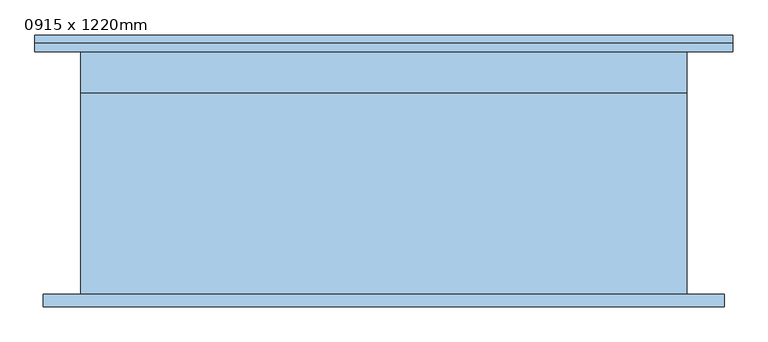
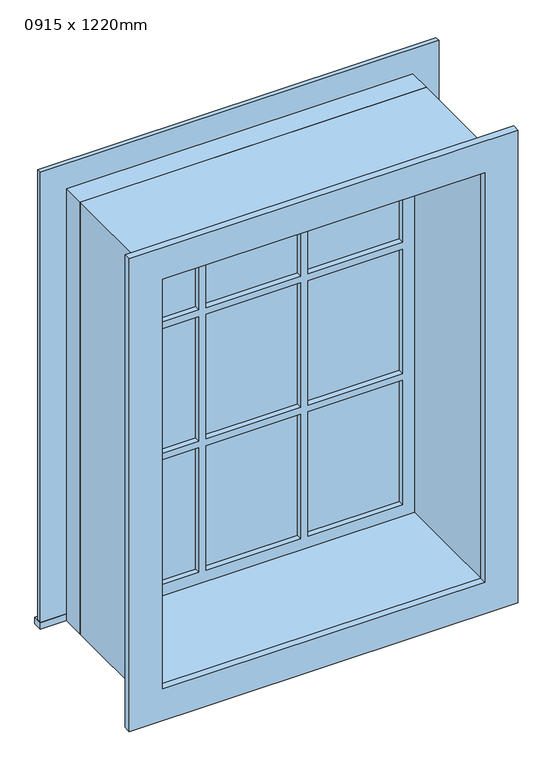
"""IFC4 building model written with IfcOpenShell, lengths in millimetres: window geometry, 0915 x 1220mm."""

from ifc_helpers import new_model, si_unit, frame, origin, place, context, project, spatial, polyline, outline, extrude, source, transform, mapped, element, save


def window_0915_x_1220mm_256f1736(model_context):
    return source(origin(), model_context, "Body", "SweptSolid", [
        extrude(outline(polyline([(-532.45, 210.7), (532.45, 210.7), (532.45, 185.0), (-532.45, 185.0), (-532.45, 210.7)])), frame((0.0, 0.0, 1000.0), z_axis=(0.0, 0.0, 1.0), x_axis=(1.0, 0.0, 0.0)), (0.0, 0.0, 1.0), 19.05),
        extrude(outline(polyline([(2200.95, -443.45), (2200.95, 443.45), (1019.05, 443.45), (1019.05, 532.45), (2289.95, 532.45), (2289.95, -532.45), (1019.05, -532.45), (1019.05, -443.45), (2200.95, -443.45)])), frame((0.0, 185.0, 0.0), z_axis=(0.0, 1.0, 0.0), x_axis=(0.0, 0.0, 1.0)), (0.0, 0.0, 1.0), 13.0),
        extrude(outline(polyline([(145.7, 150.125), (399.0, 150.125), (399.0, 137.425), (145.7, 137.425), (145.7, 150.125)])), frame((0.0, 0.0, 1804.8666667), z_axis=(0.0, 0.0, 1.0), x_axis=(1.0, 0.0, 0.0)), (0.0, 0.0, 1.0), 351.6333333),
        extrude(outline(polyline([(-126.65, 150.125), (126.65, 150.125), (126.65, 137.425), (-126.65, 137.425), (-126.65, 150.125)])), frame((0.0, 0.0, 1804.8666667), z_axis=(0.0, 0.0, 1.0), x_axis=(1.0, 0.0, 0.0)), (0.0, 0.0, 1.0), 351.6333333),
        extrude(outline(polyline([(-399.0, 150.125), (-145.7, 150.125), (-145.7, 137.425), (-399.0, 137.425), (-399.0, 150.125)])), frame((0.0, 0.0, 1804.8666667), z_axis=(0.0, 0.0, 1.0), x_axis=(1.0, 0.0, 0.0)), (0.0, 0.0, 1.0), 351.6333333),
        extrude(outline(polyline([(-399.0, 150.125), (-145.7, 150.125), (-145.7, 137.425), (-399.0, 137.425), (-399.0, 150.125)])), frame((0.0, 0.0, 1434.1833333), z_axis=(0.0, 0.0, 1.0), x_axis=(1.0, 0.0, 0.0)), (0.0, 0.0, 1.0), 351.6333333),
        extrude(outline(polyline([(-126.65, 150.125), (126.65, 150.125), (126.65, 137.425), (-126.65, 137.425), (-126.65, 150.125)])), frame((0.0, 0.0, 1434.1833333), z_axis=(0.0, 0.0, 1.0), x_axis=(1.0, 0.0, 0.0)), (0.0, 0.0, 1.0), 351.6333333),
        extrude(outline(polyline([(145.7, 150.125), (399.0, 150.125), (399.0, 137.425), (145.7, 137.425), (145.7, 150.125)])), frame((0.0, 0.0, 1434.1833333), z_axis=(0.0, 0.0, 1.0), x_axis=(1.0, 0.0, 0.0)), (0.0, 0.0, 1.0), 351.6333333),
        extrude(outline(polyline([(145.7, 150.125), (399.0, 150.125), (399.0, 137.425), (145.7, 137.425), (145.7, 150.125)])), frame((0.0, 0.0, 1063.5), z_axis=(0.0, 0.0, 1.0), x_axis=(1.0, 0.0, 0.0)), (0.0, 0.0, 1.0), 351.6333333),
        extrude(outline(polyline([(-126.65, 150.125), (126.65, 150.125), (126.65, 137.425), (-126.65, 137.425), (-126.65, 150.125)])), frame((0.0, 0.0, 1063.5), z_axis=(0.0, 0.0, 1.0), x_axis=(1.0, 0.0, 0.0)), (0.0, 0.0, 1.0), 351.6333333),
        extrude(outline(polyline([(-399.0, 150.125), (-145.7, 150.125), (-145.7, 137.425), (-399.0, 137.425), (-399.0, 150.125)])), frame((0.0, 0.0, 1063.5), z_axis=(0.0, 0.0, 1.0), x_axis=(1.0, 0.0, 0.0)), (0.0, 0.0, 1.0), 351.6333333),
        extrude(outline(polyline([(2277.25, 519.75), (2277.25, -519.75), (942.75, -519.75), (942.75, 519.75), (2277.25, 519.75)]), holes=[polyline([(2188.25, 430.75), (1031.75, 430.75), (1031.75, -430.75), (2188.25, -430.75), (2188.25, 430.75)])]), frame((0.0, -204.0, 0.0), z_axis=(0.0, 1.0, 0.0), x_axis=(0.0, 0.0, 1.0)), (0.0, 0.0, 1.0), 19.0),
        extrude(outline(polyline([(2200.95, -443.45), (1019.05, -443.45), (1019.05, 443.45), (2200.95, 443.45), (2200.95, -443.45)]), holes=[polyline([(2156.5, -145.7), (1804.8666667, -145.7), (1804.8666667, -399.0), (2156.5, -399.0), (2156.5, -145.7)]), polyline([(1785.8166667, -145.7), (1434.1833333, -145.7), (1434.1833333, -399.0), (1785.8166667, -399.0), (1785.8166667, -145.7)]), polyline([(1415.1333333, -145.7), (1063.5, -145.7), (1063.5, -399.0), (1415.1333333, -399.0), (1415.1333333, -145.7)]), polyline([(2156.5, 126.65), (1804.8666667, 126.65), (1804.8666667, -126.65), (2156.5, -126.65), (2156.5, 126.65)]), polyline([(1785.8166667, 126.65), (1434.1833333, 126.65), (1434.1833333, -126.65), (1785.8166667, -126.65), (1785.8166667, 126.65)]), polyline([(1415.1333333, 126.65), (1063.5, 126.65), (1063.5, -126.65), (1415.1333333, -126.65), (1415.1333333, 126.65)]), polyline([(2156.5, 399.0), (1804.8666667, 399.0), (1804.8666667, 145.7), (2156.5, 145.7), (2156.5, 399.0)]), polyline([(1785.8166667, 399.0), (1434.1833333, 399.0), (1434.1833333, 145.7), (1785.8166667, 145.7), (1785.8166667, 399.0)]), polyline([(1415.1333333, 399.0), (1063.5, 399.0), (1063.5, 145.7), (1415.1333333, 145.7), (1415.1333333, 399.0)])]), frame((0.0, 121.55, 0.0), z_axis=(0.0, 1.0, 0.0), x_axis=(0.0, 0.0, 1.0)), (0.0, 0.0, 1.0), 44.45),
        extrude(outline(polyline([(2220.0, -462.5), (1000.0, -462.5), (1000.0, 462.5), (2220.0, 462.5), (2220.0, -462.5)]), holes=[polyline([(2188.25, -430.75), (2188.25, 430.75), (1031.75, 430.75), (1031.75, -430.75), (2188.25, -430.75)])]), frame((0.0, -185.0, 0.0), z_axis=(0.0, 1.0, 0.0), x_axis=(0.0, 0.0, 1.0)), (0.0, 0.0, 1.0), 306.55),
        extrude(outline(polyline([(2220.0, 462.5), (2220.0, -462.5), (1000.0, -462.5), (1000.0, 462.5), (2220.0, 462.5)]), holes=[polyline([(2200.95, 443.45), (1019.05, 443.45), (1019.05, -443.45), (2200.95, -443.45), (2200.95, 443.45)])]), frame((0.0, 121.55, 0.0), z_axis=(0.0, 1.0, 0.0), x_axis=(0.0, 0.0, 1.0)), (0.0, 0.0, 1.0), 63.45),
    ])


if __name__ == "__main__":
    model = new_model("IFC4")
    model_context = context("Model", 3, world=origin())
    ifc_project = project(units=[si_unit("LENGTHUNIT", "METRE", prefix="MILLI")], contexts=[model_context])
    site = spatial("IfcSite", under=ifc_project)
    building = spatial("IfcBuilding", under=site)
    placement = place(None, origin())
    window_0915_x_1220mm_shape = window_0915_x_1220mm_256f1736(model_context)
    element("IfcWindow", 1, ObjectType="0915 x 1220mm", at=placement, inside=building, context=model_context, shape_type="MappedRepresentation", body=[
        mapped(window_0915_x_1220mm_shape, transform((0.0, 0.0, 0.0), x_axis=(1.0, 0.0, 0.0), y_axis=(0.0, 1.0, 0.0), z_axis=(0.0, 0.0, 1.0))),
    ])
    save(model, "model.ifc")
